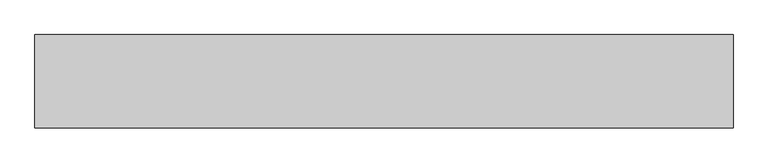
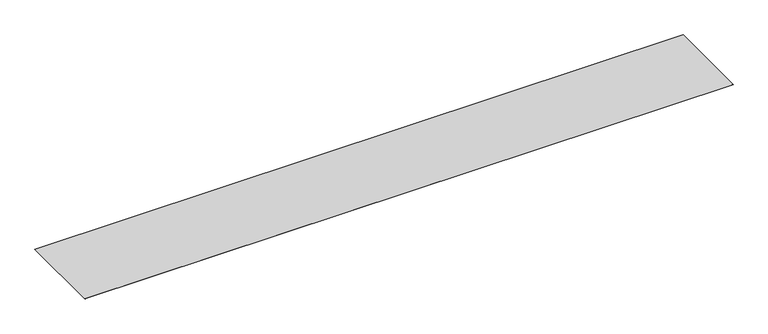
"""IFC4 building model written with IfcOpenShell, lengths in millimetres: proxy geometry."""

from ifc_helpers import new_model, si_unit, frame, origin, place, context, project, spatial, polyline, outline, extrude, source, transform, mapped, element, save


def generic_models_18e6b632(model_context):
    return source(origin(), model_context, "Body", "SweptSolid", [
        extrude(outline(polyline([(0.0, -508.0), (0.0, 508.0), (7600.0, 508.0), (7600.0, -508.0), (0.0, -508.0)])), frame((0.0, 0.0, -1.0), z_axis=(0.0, 0.0, 1.0), x_axis=(1.0, 0.0, 0.0)), (0.0, 0.0, 1.0), 1.0),
    ])


if __name__ == "__main__":
    model = new_model("IFC4")
    model_context = context("Model", 3, world=origin())
    ifc_project = project(units=[si_unit("LENGTHUNIT", "METRE", prefix="MILLI")], contexts=[model_context])
    site = spatial("IfcSite", under=ifc_project)
    building = spatial("IfcBuilding", under=site)
    placement = place(None, origin())
    generic_models_shape = generic_models_18e6b632(model_context)
    element("IfcBuildingElementProxy", 1, Name="Generic Models", at=placement, inside=building, context=model_context, shape_type="MappedRepresentation", body=[
        mapped(generic_models_shape, transform((0.0, 0.0, 0.0), x_axis=(1.0, 0.0, 0.0), y_axis=(0.0, 1.0, 0.0), z_axis=(0.0, 0.0, 1.0))),
    ])
    save(model, "model.ifc")
